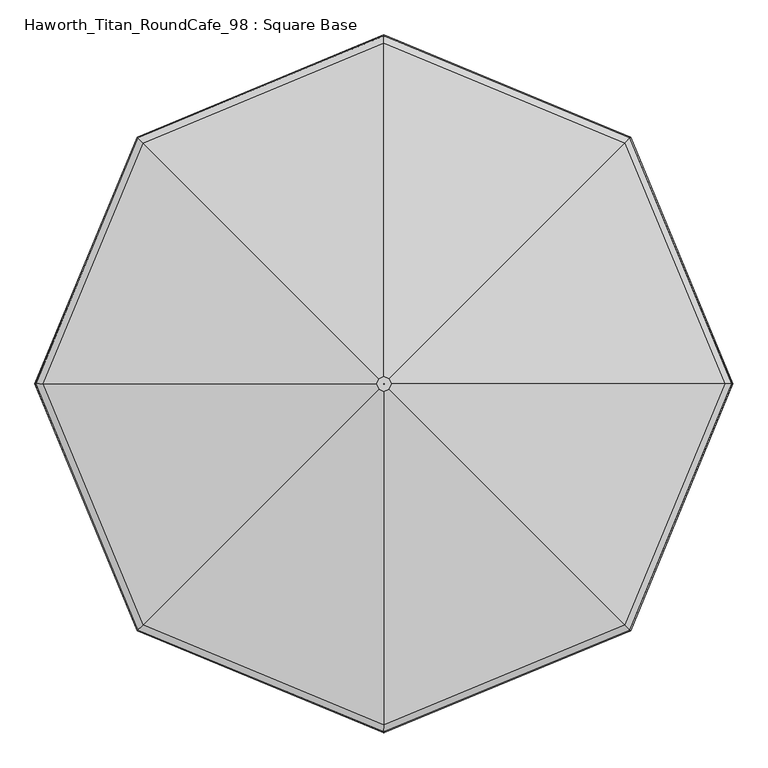
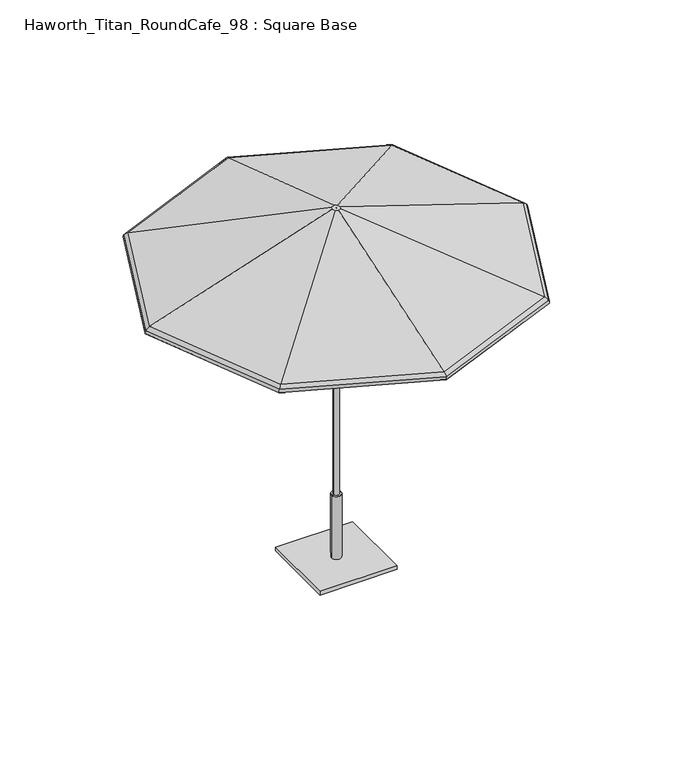
"""IFC4 building model written with IfcOpenShell, lengths in millimetres: furniture geometry, Haworth_Titan_RoundCafe_98 : Square Base."""

from ifc_helpers import new_model, si_unit, frame, origin, origin_with_axes, place, context, project, spatial, polyline, circle_curve, ellipse_curve, outline, extrude, source, transform, mapped, element, save
from ifc_brep_helpers import plane_surface, cylinder_surface, revolved_surface, advanced_brep


def haworth_titan_roundcafe_98_square_base_efce378b(model_context):
    return source(origin(), model_context, "Body", "SolidModel", [
        advanced_brep(
        [(19.5795967, -23.609512, 2449.3082423), (867.9781902, -872.00808, 2054.63825), (1227.5064869, -4.0299408, 2054.63825), (27.6897202, -4.0299408, 2449.3082423), (0.2837179, -4.3136338, 2444.7441798), (0.2837179, -4.3136338, 2449.3082423), (0.4012274, -4.0299408, 2449.3082423), (0.4012274, -4.0299408, 2444.7441798), (866.8065131, -870.8364029, 2050.3385867), (18.976283, -23.0061982, 2444.7441798), (26.8365057, -4.0299408, 2444.7441798), (1225.8494853, -4.0299408, 2050.3385867), (867.9781902, 863.9481984, 2054.63825), (19.5795967, 15.5496304, 2449.3082423), (0.2837179, -3.7462478, 2449.3082423), (0.2837179, -3.7462478, 2444.7441798), (18.976283, 14.9463167, 2444.7441798), (866.8065131, 862.7765214, 2050.3385867), (0.0, 1223.4765468, 2054.63825), (0.0, 23.6597651, 2449.3082423), (0.0, -3.6287279, 2449.3082423), (0.0, -3.6287279, 2444.7441798), (0.0, 22.8065507, 2444.7441798), (0.0, 1221.8195452, 2050.3385867), (-867.9781902, 863.9481984, 2054.63825), (-19.5795967, 15.5496304, 2449.3082423), (-0.2837179, -3.7462478, 2449.3082423), (-0.2837179, -3.7462478, 2444.7441798), (-18.976283, 14.9463167, 2444.7441798), (-866.8065131, 862.7765214, 2050.3385867), (-1227.5064869, -4.0299408, 2054.63825), (-27.6897202, -4.0299408, 2449.3082423), (-0.4012274, -4.0299408, 2449.3082423), (-0.4012274, -4.0299408, 2444.7441798), (-26.8365057, -4.0299408, 2444.7441798), (-1225.8494853, -4.0299408, 2050.3385867), (-867.9781902, -872.00808, 2054.63825), (-19.5795967, -23.609512, 2449.3082423), (-0.2837179, -4.3136338, 2449.3082423), (-0.2837179, -4.3136338, 2444.7441798), (-18.976283, -23.0061982, 2444.7441798), (-866.8065131, -870.8364029, 2050.3385867), (0.0, -1231.5364283, 2054.63825), (0.0, -31.7196467, 2449.3082423), (0.0, -4.4311536, 2449.3082423), (0.0, -4.4311536, 2444.7441798), (0.0, -30.8664322, 2444.7441798), (0.0, -1229.8794267, 2050.3385867), (888.6808391, -892.7107282, 2015.4829783), (885.3255026, -889.3553919, 2016.7551217), (1252.0392907, -4.0299408, 2016.7551217), (1256.784453, -4.0299408, 2015.4829783), (886.7474447, -890.7773339, 2034.8989025), (1254.0502205, -4.0299408, 2034.8989025), (885.3255026, 881.2955103, 2016.7551217), (888.6808391, 884.6508467, 2015.4829783), (886.7474447, 882.7174524, 2034.8989025), (0.0, 1248.0093509, 2016.7551217), (0.0, 1252.7545132, 2015.4829783), (0.0, 1250.0202807, 2034.8989025), (-885.3255026, 881.2955103, 2016.7551217), (-888.6808391, 884.6508467, 2015.4829783), (-886.7474447, 882.7174524, 2034.8989025), (-1252.0392907, -4.0299408, 2016.7551217), (-1256.784453, -4.0299408, 2015.4829783), (-1254.0502205, -4.0299408, 2034.8989025), (-885.3255026, -889.3553919, 2016.7551217), (-888.6808391, -892.7107282, 2015.4829783), (-886.7474447, -890.7773339, 2034.8989025), (0.0, -1256.0692325, 2016.7551217), (0.0, -1260.8143948, 2015.4829783), (0.0, -1258.0801623, 2034.8989025), (883.7829619, -887.8128512, 2032.4847066), (1249.8578088, -4.0299408, 2032.4847066), (883.7829619, 879.7529696, 2032.4847066), (0.0, 1245.827869, 2032.4847066), (-883.7829619, 879.7529696, 2032.4847066), (-1249.8578088, -4.0299408, 2032.4847066), (-883.7829619, -887.8128512, 2032.4847066), (0.0, -1253.8877505, 2032.4847066)],
        [
            (0, 1),
            (1, 2),
            (2, 3),
            (3, 0),
            (4, 5),
            (5, 6),
            (6, 7),
            (7, 4),
            (8, 9),
            (9, 10),
            (10, 11),
            (11, 8),
            (2, 12),
            (12, 13),
            (13, 3),
            (6, 14),
            (14, 15),
            (15, 7),
            (10, 16),
            (16, 17),
            (17, 11),
            (12, 18),
            (18, 19),
            (19, 13),
            (14, 20),
            (20, 21),
            (21, 15),
            (16, 22),
            (22, 23),
            (23, 17),
            (18, 24),
            (24, 25),
            (25, 19),
            (20, 26),
            (26, 27),
            (27, 21),
            (22, 28),
            (28, 29),
            (29, 23),
            (24, 30),
            (30, 31),
            (31, 25),
            (26, 32),
            (32, 33),
            (33, 27),
            (28, 34),
            (34, 35),
            (35, 29),
            (30, 36),
            (36, 37),
            (37, 31),
            (32, 38),
            (38, 39),
            (39, 33),
            (34, 40),
            (40, 41),
            (41, 35),
            (36, 42),
            (42, 43),
            (43, 37),
            (38, 44),
            (44, 45),
            (45, 39),
            (40, 46),
            (46, 47),
            (47, 41),
            (42, 1),
            (0, 43),
            (5, 44),
            (4, 45),
            (9, 46),
            (8, 47),
            (48, 49, ellipse_curve(frame((887.0110539, -891.0409431, 2016.1545442), z_axis=(0.7071067705718669, 0.7071067918012279, 0.0), x_axis=(0.7071067918012278, -0.707106770571867, 0.0)), 2.4707782, 2.2827014)),
            (49, 50),
            (50, 51, ellipse_curve(frame((1254.4230202, -4.0299408, 2016.1545442), z_axis=(0.0, -1.0, 0.0), x_axis=(-1.0, 0.0, 0.0)), 2.4707782, 2.2827014)),
            (51, 48),
            (52, 48, ellipse_curve(frame((871.4269242, -875.4568139, 2022.4222784), z_axis=(0.7071067705718669, 0.7071067918012279, 0.0), x_axis=(0.7071067918012278, -0.707106770571867, 0.0)), 25.5305879, 23.5871876)),
            (51, 53, ellipse_curve(frame((1232.3837333, -4.0299408, 2022.4222784), z_axis=(0.0, -1.0, 0.0), x_axis=(-1.0, 0.0, 0.0)), 25.5305877, 23.5871876)),
            (53, 52),
            (1, 52, ellipse_curve(frame((855.7116602, -859.7415504, 2009.6241856), z_axis=(0.7071067705718669, 0.7071067918012279, 0.0), x_axis=(0.7071067918012278, -0.707106770571867, 0.0)), 51.7189887, 47.782115)),
            (53, 2, ellipse_curve(frame((1210.1589943, -4.0299408, 2009.6241856), z_axis=(0.0, -1.0, 0.0), x_axis=(-1.0, 0.0, 0.0)), 51.7189881, 47.782115)),
            (50, 54),
            (54, 55, ellipse_curve(frame((887.0110539, 882.9810616, 2016.1545442), z_axis=(0.7071067705718669, -0.7071067918012278, 0.0), x_axis=(-0.7071067918012273, -0.7071067705718674, 0.0)), 2.4707782, 2.2827014)),
            (55, 51),
            (55, 56, ellipse_curve(frame((871.4269242, 867.3969324, 2022.4222784), z_axis=(0.7071067705718669, -0.7071067918012278, 0.0), x_axis=(-0.7071067918012273, -0.7071067705718674, 0.0)), 25.5305879, 23.5871876)),
            (56, 53),
            (56, 12, ellipse_curve(frame((855.7116602, 851.6816688, 2009.6241856), z_axis=(0.7071067705718669, -0.7071067918012278, 0.0), x_axis=(-0.7071067918012273, -0.7071067705718674, 0.0)), 51.7189887, 47.782115)),
            (54, 57),
            (57, 58, ellipse_curve(frame((0.0, 1250.3930804, 2016.1545442), z_axis=(1.0, 0.0, 0.0), x_axis=(0.0, -1.0, 0.0)), 2.4707782, 2.2827014)),
            (58, 55),
            (58, 59, ellipse_curve(frame((0.0, 1228.3537932, 2022.4222784), z_axis=(1.0, 0.0, 0.0), x_axis=(0.0, -1.0, 0.0)), 25.530588, 23.5871876)),
            (59, 56),
            (59, 18, ellipse_curve(frame((0.0, 1206.129054, 2009.6241856), z_axis=(1.0, 0.0, 0.0), x_axis=(0.0, -1.0, 0.0)), 51.7189888, 47.782115)),
            (57, 60),
            (60, 61, ellipse_curve(frame((-887.0110539, 882.9810616, 2016.1545442), z_axis=(0.7071067705718668, 0.7071067918012279, 0.0), x_axis=(0.7071067918012285, -0.7071067705718664, 0.0)), 2.4707782, 2.2827014)),
            (61, 58),
            (61, 62, ellipse_curve(frame((-871.4269242, 867.3969324, 2022.4222784), z_axis=(0.7071067705718668, 0.7071067918012279, 0.0), x_axis=(0.7071067918012285, -0.7071067705718664, 0.0)), 25.5305879, 23.5871876)),
            (62, 59),
            (62, 24, ellipse_curve(frame((-855.7116602, 851.6816688, 2009.6241856), z_axis=(0.7071067705718668, 0.7071067918012279, 0.0), x_axis=(0.7071067918012285, -0.7071067705718664, 0.0)), 51.7189887, 47.782115)),
            (60, 63),
            (63, 64, ellipse_curve(frame((-1254.4230202, -4.0299408, 2016.1545442), z_axis=(0.0, 1.0, 0.0), x_axis=(1.0, 0.0, 0.0)), 2.4707782, 2.2827014)),
            (64, 61),
            (64, 65, ellipse_curve(frame((-1232.3837333, -4.0299408, 2022.4222784), z_axis=(0.0, 1.0, 0.0), x_axis=(1.0, 0.0, 0.0)), 25.5305877, 23.5871876)),
            (65, 62),
            (65, 30, ellipse_curve(frame((-1210.1589943, -4.0299408, 2009.6241856), z_axis=(0.0, 1.0, 0.0), x_axis=(1.0, 0.0, 0.0)), 51.7189881, 47.782115)),
            (63, 66),
            (66, 67, ellipse_curve(frame((-887.0110539, -891.0409431, 2016.1545442), z_axis=(-0.707106770571867, 0.7071067918012278, 0.0), x_axis=(0.7071067918012279, 0.7071067705718671, 0.0)), 2.4707782, 2.2827014)),
            (67, 64),
            (67, 68, ellipse_curve(frame((-871.4269242, -875.4568139, 2022.4222784), z_axis=(-0.707106770571867, 0.7071067918012278, 0.0), x_axis=(0.7071067918012279, 0.7071067705718671, 0.0)), 25.5305879, 23.5871876)),
            (68, 65),
            (68, 36, ellipse_curve(frame((-855.7116602, -859.7415504, 2009.6241856), z_axis=(-0.707106770571867, 0.7071067918012278, 0.0), x_axis=(0.7071067918012279, 0.7071067705718671, 0.0)), 51.7189887, 47.782115)),
            (66, 69),
            (69, 70, ellipse_curve(frame((0.0, -1258.452962, 2016.1545442), z_axis=(-1.0, 0.0, 0.0), x_axis=(0.0, 1.0, 0.0)), 2.4707782, 2.2827014)),
            (70, 67),
            (70, 71, ellipse_curve(frame((0.0, -1236.4136748, 2022.4222784), z_axis=(-1.0, 0.0, 0.0), x_axis=(0.0, 1.0, 0.0)), 25.530588, 23.5871876)),
            (71, 68),
            (71, 42, ellipse_curve(frame((0.0, -1214.1889356, 2009.6241856), z_axis=(-1.0, 0.0, 0.0), x_axis=(0.0, 1.0, 0.0)), 51.7189888, 47.782115)),
            (69, 49),
            (48, 70),
            (52, 71),
            (72, 8, ellipse_curve(frame((855.7116602, -859.7415504, 2009.6241856), z_axis=(-0.7071067705718669, -0.7071067918012279, 0.0), x_axis=(-0.7071067918012278, 0.707106770571867, 0.0)), 46.778883, 43.2180525)),
            (11, 73, ellipse_curve(frame((1210.1589943, -4.0299408, 2009.6241856), z_axis=(0.0, 1.0, 0.0), x_axis=(1.0, 0.0, 0.0)), 46.7788825, 43.2180525)),
            (73, 72),
            (49, 72, ellipse_curve(frame((871.4269242, -875.4568139, 2022.4222784), z_axis=(-0.7071067705718669, -0.7071067918012279, 0.0), x_axis=(-0.7071067918012278, 0.707106770571867, 0.0)), 20.5904823, 19.0231251)),
            (73, 50, ellipse_curve(frame((1232.3837333, -4.0299408, 2022.4222784), z_axis=(0.0, 1.0, 0.0), x_axis=(1.0, 0.0, 0.0)), 20.5904821, 19.0231251)),
            (17, 74, ellipse_curve(frame((855.7116602, 851.6816688, 2009.6241856), z_axis=(-0.7071067705718669, 0.7071067918012278, 0.0), x_axis=(0.7071067918012273, 0.7071067705718674, 0.0)), 46.778883, 43.2180525)),
            (74, 73),
            (74, 54, ellipse_curve(frame((871.4269242, 867.3969324, 2022.4222784), z_axis=(-0.7071067705718669, 0.7071067918012278, 0.0), x_axis=(0.7071067918012273, 0.7071067705718674, 0.0)), 20.5904823, 19.0231251)),
            (23, 75, ellipse_curve(frame((0.0, 1206.129054, 2009.6241856), z_axis=(-1.0, 0.0, 0.0), x_axis=(0.0, 1.0, 0.0)), 46.7788831, 43.2180525)),
            (75, 74),
            (75, 57, ellipse_curve(frame((0.0, 1228.3537932, 2022.4222784), z_axis=(-1.0, 0.0, 0.0), x_axis=(0.0, 1.0, 0.0)), 20.5904823, 19.0231251)),
            (29, 76, ellipse_curve(frame((-855.7116602, 851.6816688, 2009.6241856), z_axis=(-0.7071067705718668, -0.7071067918012279, 0.0), x_axis=(-0.7071067918012285, 0.7071067705718664, 0.0)), 46.778883, 43.2180525)),
            (76, 75),
            (76, 60, ellipse_curve(frame((-871.4269242, 867.3969324, 2022.4222784), z_axis=(-0.7071067705718668, -0.7071067918012279, 0.0), x_axis=(-0.7071067918012285, 0.7071067705718664, 0.0)), 20.5904823, 19.0231251)),
            (35, 77, ellipse_curve(frame((-1210.1589943, -4.0299408, 2009.6241856), z_axis=(0.0, -1.0, 0.0), x_axis=(-1.0, 0.0, 0.0)), 46.7788825, 43.2180525)),
            (77, 76),
            (77, 63, ellipse_curve(frame((-1232.3837333, -4.0299408, 2022.4222784), z_axis=(0.0, -1.0, 0.0), x_axis=(-1.0, 0.0, 0.0)), 20.5904821, 19.0231251)),
            (41, 78, ellipse_curve(frame((-855.7116602, -859.7415504, 2009.6241856), z_axis=(0.707106770571867, -0.7071067918012278, 0.0), x_axis=(-0.7071067918012279, -0.7071067705718671, 0.0)), 46.778883, 43.2180525)),
            (78, 77),
            (78, 66, ellipse_curve(frame((-871.4269242, -875.4568139, 2022.4222784), z_axis=(0.707106770571867, -0.7071067918012278, 0.0), x_axis=(-0.7071067918012279, -0.7071067705718671, 0.0)), 20.5904823, 19.0231251)),
            (47, 79, ellipse_curve(frame((0.0, -1214.1889356, 2009.6241856), z_axis=(1.0, 0.0, 0.0), x_axis=(0.0, -1.0, 0.0)), 46.7788831, 43.2180525)),
            (79, 78),
            (79, 69, ellipse_curve(frame((0.0, -1236.4136748, 2022.4222784), z_axis=(1.0, 0.0, 0.0), x_axis=(0.0, -1.0, 0.0)), 20.5904823, 19.0231251)),
            (72, 79),
        ],
        [
            plane_surface(frame((867.9781902, -872.00808, 2054.63825), z_axis=(0.3098860594599675, -0.12835900134285777, 0.9420693164128837), x_axis=(0.3826834138500074, 0.9238795401804848, 0.0))),
            plane_surface(frame((0.2837179, -4.3136338, 2449.3082423), z_axis=(-0.9238795401805519, 0.3826834138498457, 0.0), x_axis=(0.3826834138498457, 0.9238795401805519, 0.0))),
            plane_surface(frame((18.976283, -23.0061982, 2444.7441798), z_axis=(-0.30988605945996583, 0.12835900134286157, -0.9420693164128836), x_axis=(0.3826834138500158, 0.9238795401804812, 0.0))),
            plane_surface(frame((1227.5064869, -4.0299408, 2054.63825), z_axis=(0.3098860594599674, 0.1283590013428578, 0.9420693164128837), x_axis=(-0.38268341385000754, 0.9238795401804847, 0.0))),
            plane_surface(frame((0.4012274, -4.0299408, 2449.3082423), z_axis=(-0.9238795401804236, -0.38268341385015503, 0.0), x_axis=(-0.38268341385015503, 0.9238795401804236, 0.0))),
            plane_surface(frame((26.8365057, -4.0299408, 2444.7441798), z_axis=(-0.3098860594599669, -0.12835900134285932, -0.9420693164128837), x_axis=(-0.38268341385000904, 0.9238795401804841, 0.0))),
            plane_surface(frame((867.9781902, 863.9481984, 2054.63825), z_axis=(0.12835901064652352, 0.30988605560626115, 0.9420693164128842), x_axis=(-0.9238795286912376, 0.3826834415875042, 0.0))),
            plane_surface(frame((0.2837179, -3.7462478, 2449.3082423), z_axis=(-0.3826834415882052, -0.9238795286909472, 0.0), x_axis=(-0.9238795286909472, 0.3826834415882052, 0.0))),
            plane_surface(frame((18.976283, 14.9463167, 2444.7441798), z_axis=(-0.12835901064652197, -0.309886055606262, -0.9420693164128842), x_axis=(-0.9238795286912361, 0.38268344158750756, 0.0))),
            plane_surface(frame((0.0, 1223.4765468, 2054.63825), z_axis=(-0.12835901064652352, 0.3098860556062612, 0.9420693164128842), x_axis=(-0.9238795286912376, -0.3826834415875041, 0.0))),
            plane_surface(frame((0.0, -3.6287279, 2449.3082423), z_axis=(0.3826834415881674, -0.9238795286909629, 0.0), x_axis=(-0.9238795286909629, -0.3826834415881674, 1.7630868610491193e-12))),
            plane_surface(frame((0.0, 22.8065507, 2444.7441798), z_axis=(0.12835901064650254, -0.3098860556062698, -0.9420693164128842), x_axis=(-0.9238795286912317, -0.38268344158751827, 0.0))),
            plane_surface(frame((-867.9781902, 863.9481984, 2054.63825), z_axis=(-0.3098860594599674, 0.1283590013428577, 0.9420693164128838), x_axis=(-0.3826834138500073, -0.9238795401804849, 0.0))),
            plane_surface(frame((-0.2837179, -3.7462478, 2449.3082423), z_axis=(0.9238795401804988, -0.3826834138499735, 0.0), x_axis=(-0.3826834138499735, -0.9238795401804988, 0.0))),
            plane_surface(frame((-18.976283, 14.9463167, 2444.7441798), z_axis=(0.309886059459966, -0.12835900134286143, -0.9420693164128837), x_axis=(-0.38268341385001536, -0.9238795401804816, 0.0))),
            plane_surface(frame((-1227.5064869, -4.0299408, 2054.63825), z_axis=(-0.30988605945996744, -0.12835900134285777, 0.9420693164128836), x_axis=(0.3826834138500075, -0.9238795401804848, 0.0))),
            plane_surface(frame((-0.4012274, -4.0299408, 2449.3082423), z_axis=(0.9238795401804434, 0.3826834138501074, 0.0), x_axis=(0.3826834138501074, -0.9238795401804434, 0.0))),
            plane_surface(frame((-26.8365057, -4.0299408, 2444.7441798), z_axis=(0.30988605945996417, 0.1283590013428655, -0.9420693164128837), x_axis=(0.3826834138500276, -0.9238795401804764, 0.0))),
            plane_surface(frame((-867.9781902, -872.00808, 2054.63825), z_axis=(-0.12835901064652355, -0.30988605560626115, 0.9420693164128843), x_axis=(0.9238795286912376, -0.3826834415875043, 0.0))),
            plane_surface(frame((-0.2837179, -4.3136338, 2449.3082423), z_axis=(0.38268344158750667, 0.9238795286912367, 0.0), x_axis=(0.9238795286912367, -0.38268344158750667, -1.7630868610541979e-12))),
            plane_surface(frame((-18.976283, -23.0061982, 2444.7441798), z_axis=(0.12835901064652216, 0.30988605560626176, -0.9420693164128844), x_axis=(0.9238795286912359, -0.38268344158750833, 0.0))),
            plane_surface(frame((0.0, -1231.5364283, 2054.63825), z_axis=(0.12835901064652355, -0.30988605560626103, 0.9420693164128844), x_axis=(0.9238795286912376, 0.3826834415875044, 0.0))),
            plane_surface(frame((0.0, -31.7196467, 2449.3082423), z_axis=(0.0, 0.0, 1.0000000000000002), x_axis=(0.9238795286912374, 0.38268344158750495, 0.0))),
            plane_surface(frame((0.0, -4.4311536, 2449.3082423), z_axis=(-0.3826834415880379, 0.9238795286910165, 0.0), x_axis=(0.9238795286910165, 0.3826834415880379, 1.7630868610505533e-12))),
            plane_surface(frame((0.0, -4.4311536, 2444.7441798), z_axis=(0.0, 0.0, -1.0), x_axis=(0.9238795286912637, 0.38268344158744133, 0.0))),
            plane_surface(frame((0.0, -30.8664322, 2444.7441798), z_axis=(-0.1283590106464981, 0.3098860556062716, -0.9420693164128844), x_axis=(0.9238795286912372, 0.38268344158750517, 0.0))),
            cylinder_surface(frame((885.6093569, -894.4249392, 2016.1545442), z_axis=(-0.3826834138500074, -0.9238795401804848, 0.0), x_axis=(-0.9238795401804848, 0.3826834138500074, 0.0)), 2.2827014),
            cylinder_surface(frame((866.7976485, -886.6328749, 2022.4222784), z_axis=(-0.3826834138500074, -0.9238795401804848, 0.0), x_axis=(-0.9238795401804848, 0.3826834138500074, 0.0)), 23.5871876),
            cylinder_surface(frame((847.8276469, -878.7752434, 2009.6241856), z_axis=(-0.3826834138500074, -0.9238795401804848, 0.0), x_axis=(-0.9238795401804848, 0.3826834138500074, 0.0)), 47.782115),
            cylinder_surface(frame((1255.8247171, -7.4139366, 2016.1545442), z_axis=(0.38268341385000737, -0.9238795401804849, 0.0), x_axis=(-0.9238795401804849, -0.38268341385000737, 0.0)), 2.2827014),
            cylinder_surface(frame((1237.0130087, -15.2060009, 2022.4222784), z_axis=(0.38268341385000737, -0.9238795401804849, 0.0), x_axis=(-0.9238795401804849, -0.38268341385000737, 0.0)), 23.5871876),
            cylinder_surface(frame((1218.0430071, -23.0636324, 2009.6241856), z_axis=(0.38268341385000737, -0.9238795401804849, 0.0), x_axis=(-0.9238795401804849, -0.38268341385000737, 0.0)), 47.782115),
            cylinder_surface(frame((890.3950499, 881.5793645, 2016.1545442), z_axis=(0.9238795286912376, -0.38268344158750417, 0.0), x_axis=(-0.38268344158750417, -0.9238795286912376, 0.0)), 2.2827014),
            cylinder_surface(frame((882.6029851, 862.7676563, 2022.4222784), z_axis=(0.9238795286912376, -0.38268344158750417, 0.0), x_axis=(-0.38268344158750417, -0.9238795286912376, 0.0)), 23.5871876),
            cylinder_surface(frame((874.745353, 843.7976549, 2009.6241856), z_axis=(0.9238795286912376, -0.38268344158750417, 0.0), x_axis=(-0.38268344158750417, -0.9238795286912376, 0.0)), 47.782115),
            cylinder_surface(frame((3.3839961, 1251.7947775, 2016.1545442), z_axis=(0.9238795286912376, 0.3826834415875045, 0.0), x_axis=(0.3826834415875045, -0.9238795286912376, 0.0)), 2.2827014),
            cylinder_surface(frame((11.176061, 1232.9830694, 2022.4222784), z_axis=(0.9238795286912376, 0.3826834415875045, 0.0), x_axis=(0.3826834415875045, -0.9238795286912376, 0.0)), 23.5871876),
            cylinder_surface(frame((19.033693, 1214.013068, 2009.6241856), z_axis=(0.9238795286912376, 0.3826834415875045, 0.0), x_axis=(0.3826834415875045, -0.9238795286912376, 0.0)), 47.782115),
            cylinder_surface(frame((-885.6093569, 886.3650576, 2016.1545442), z_axis=(0.3826834138500073, 0.9238795401804848, 0.0), x_axis=(0.9238795401804848, -0.3826834138500073, 0.0)), 2.2827014),
            cylinder_surface(frame((-866.7976485, 878.5729933, 2022.4222784), z_axis=(0.3826834138500073, 0.9238795401804848, 0.0), x_axis=(0.9238795401804848, -0.3826834138500073, 0.0)), 23.5871876),
            cylinder_surface(frame((-847.8276469, 870.7153618, 2009.6241856), z_axis=(0.3826834138500073, 0.9238795401804848, 0.0), x_axis=(0.9238795401804848, -0.3826834138500073, 0.0)), 47.782115),
            cylinder_surface(frame((-1255.8247171, -0.6459449, 2016.1545442), z_axis=(-0.3826834138500074, 0.9238795401804848, 0.0), x_axis=(0.9238795401804848, 0.3826834138500074, 0.0)), 2.2827014),
            cylinder_surface(frame((-1237.0130087, 7.1461194, 2022.4222784), z_axis=(-0.3826834138500074, 0.9238795401804848, 0.0), x_axis=(0.9238795401804848, 0.3826834138500074, 0.0)), 23.5871876),
            cylinder_surface(frame((-1218.0430071, 15.0037509, 2009.6241856), z_axis=(-0.3826834138500074, 0.9238795401804848, 0.0), x_axis=(0.9238795401804848, 0.3826834138500074, 0.0)), 47.782115),
            cylinder_surface(frame((-890.3950499, -889.639246, 2016.1545442), z_axis=(-0.9238795286912376, 0.3826834415875041, 0.0), x_axis=(0.3826834415875041, 0.9238795286912376, 0.0)), 2.2827014),
            cylinder_surface(frame((-882.6029851, -870.8275378, 2022.4222784), z_axis=(-0.9238795286912376, 0.3826834415875041, 0.0), x_axis=(0.3826834415875041, 0.9238795286912376, 0.0)), 23.5871876),
            cylinder_surface(frame((-874.745353, -851.8575365, 2009.6241856), z_axis=(-0.9238795286912376, 0.3826834415875041, 0.0), x_axis=(0.3826834415875041, 0.9238795286912376, 0.0)), 47.782115),
            cylinder_surface(frame((-3.3839961, -1259.8546591, 2016.1545442), z_axis=(-0.9238795286912376, -0.3826834415875045, 0.0), x_axis=(-0.3826834415875045, 0.9238795286912376, 0.0)), 2.2827014),
            cylinder_surface(frame((-11.176061, -1241.0429509, 2022.4222784), z_axis=(-0.9238795286912376, -0.3826834415875045, 0.0), x_axis=(-0.3826834415875045, 0.9238795286912376, 0.0)), 23.5871876),
            cylinder_surface(frame((-19.033693, -1222.0729496, 2009.6241856), z_axis=(-0.9238795286912376, -0.3826834415875045, 0.0), x_axis=(-0.3826834415875045, 0.9238795286912376, 0.0)), 47.782115),
            revolved_surface(polyline([(1177.0813279177353, 29.04772291639233, 2009.6241856), (808.9327772004092, -859.7415515729037, 2009.6241856)]), (847.8276469, -878.7752434, 2009.6241856), (0.3826834138500074, 0.9238795401804848, 0.0)),
            revolved_surface(polyline([(1217.8240632036184, 10.529728133929439, 2022.4222784), (850.8364419865392, -875.4568144520437, 2022.4222784)]), (866.7976485, -886.6328749, 2022.4222784), (0.3826834138500074, 0.9238795401804848, 0.0)),
            revolved_surface(polyline([(808.9327772202232, 851.6816699811113, 2009.6241856), (1177.0813279375493, -37.10760450818483, 2009.6241856)]), (1218.0430071, -23.0636324, 2009.6241856), (-0.38268341385000737, 0.9238795401804849, 0.0)),
            revolved_surface(polyline([(850.8364419709978, 867.3969329456064, 2022.4222784), (1217.8240632234324, -18.589609725721992, 2022.4222784)]), (1237.0130087, -15.2060009, 2022.4222784), (-0.38268341385000737, 0.9238795401804849, 0.0)),
            revolved_surface(polyline([(-33.07766613995125, 1173.05138914796, 2009.6241856), (855.7116599637476, 804.9027857890122, 2009.6241856)]), (874.745353, 843.7976549, 2009.6241856), (-0.9238795286912376, 0.38268344158750417, 0.0)),
            revolved_surface(polyline([(-14.55966994483424, 1213.794123847939, 2022.4222784), (871.4269241167767, 846.8064501452996, 2022.4222784)]), (882.6029851, 862.7676563, 2022.4222784), (-0.9238795286912376, 0.38268344158750417, 0.0)),
            revolved_surface(polyline([(-855.7116599740738, 804.9027858139414, 2009.6241856), (33.07766612962508, 1173.0513891728895, 2009.6241856)]), (19.033693, 1214.013068, 2009.6241856), (-0.9238795286912376, -0.3826834415875045, 0.0)),
            revolved_surface(polyline([(-871.4269241124583, 846.8064501348736, 2022.4222784), (14.559669949152642, 1213.7941238375133, 2022.4222784)]), (11.176061, 1232.9830694, 2022.4222784), (-0.9238795286912376, -0.3826834415875045, 0.0)),
            revolved_surface(polyline([(-1177.081327917735, -37.10760451639214, 2009.6241856), (-808.9327772004092, 851.6816699729037, 2009.6241856)]), (-847.8276469, 870.7153618, 2009.6241856), (-0.3826834138500073, -0.9238795401804848, 0.0)),
            revolved_surface(polyline([(-1217.8240632036182, -18.58960973392925, 2022.4222784), (-850.8364419511838, 867.3969329373989, 2022.4222784)]), (-866.7976485, 878.5729933, 2022.4222784), (-0.3826834138500073, -0.9238795401804848, 0.0)),
            revolved_surface(polyline([(-808.932777184868, -859.7415515664663, 2009.6241856), (-1177.0813279021938, 29.047722922829497, 2009.6241856)]), (-1218.0430071, 15.0037509, 2009.6241856), (0.3826834138500074, -0.9238795401804848, 0.0)),
            revolved_surface(polyline([(-850.8364419709978, -875.4568144456061, 2022.4222784), (-1217.8240631880772, 10.529728140366657, 2022.4222784)]), (-1237.0130087, 7.1461194, 2022.4222784), (0.3826834138500074, -0.9238795401804848, 0.0)),
            revolved_surface(polyline([(33.07766613995125, -1181.11127074796, 2009.6241856), (-855.7116599637476, -812.9626673890123, 2009.6241856)]), (-874.745353, -851.8575365, 2009.6241856), (0.9238795286912376, -0.3826834415875041, 0.0)),
            revolved_surface(polyline([(14.559669980189597, -1221.8540053625836, 2022.4222784), (-871.4269241167767, -854.8663316452995, 2022.4222784)]), (-882.6029851, -870.8275378, 2022.4222784), (0.9238795286912376, -0.3826834415875041, 0.0)),
            revolved_surface(polyline([(855.7116599740737, -812.9626674139414, 2009.6241856), (-33.07766612962508, -1181.1112707728894, 2009.6241856)]), (-19.033693, -1222.0729496, 2009.6241856), (0.9238795286912376, 0.3826834415875045, 0.0)),
            revolved_surface(polyline([(871.4269241124583, -854.8663316348736, 2022.4222784), (-14.559669984508012, -1221.854005352158, 2022.4222784)]), (-11.176061, -1241.0429509, 2022.4222784), (0.9238795286912376, 0.3826834415875045, 0.0)),
        ],
        [
            (0, [[1, 2, 3, 4]]),
            (1, [[5, 6, 7, 8]]),
            (2, [[9, 10, 11, 12]]),
            (3, [[-3, 13, 14, 15]]),
            (4, [[-7, 16, 17, 18]]),
            (5, [[-11, 19, 20, 21]]),
            (6, [[-14, 22, 23, 24]]),
            (7, [[-17, 25, 26, 27]]),
            (8, [[-20, 28, 29, 30]]),
            (9, [[-23, 31, 32, 33]]),
            (10, [[-26, 34, 35, 36]]),
            (11, [[-29, 37, 38, 39]]),
            (12, [[-32, 40, 41, 42]]),
            (13, [[-35, 43, 44, 45]]),
            (14, [[-38, 46, 47, 48]]),
            (15, [[-41, 49, 50, 51]]),
            (16, [[-44, 52, 53, 54]]),
            (17, [[-47, 55, 56, 57]]),
            (18, [[-50, 58, 59, 60]]),
            (19, [[-53, 61, 62, 63]]),
            (20, [[-56, 64, 65, 66]]),
            (21, [[-59, 67, -1, 68]]),
            (22, [[-51, -60, -68, -4, -15, -24, -33, -42], [69, -61, -52, -43, -34, -25, -16, -6]]),
            (23, [[-62, -69, -5, 70]]),
            (24, [[71, -64, -55, -46, -37, -28, -19, -10], [-54, -63, -70, -8, -18, -27, -36, -45]]),
            (25, [[-65, -71, -9, 72]]),
            (26, [[73, 74, 75, 76]]),
            (27, [[77, -76, 78, 79]]),
            (28, [[80, -79, 81, -2]]),
            (29, [[-75, 82, 83, 84]]),
            (30, [[-78, -84, 85, 86]]),
            (31, [[-81, -86, 87, -13]]),
            (32, [[-83, 88, 89, 90]]),
            (33, [[-85, -90, 91, 92]]),
            (34, [[-87, -92, 93, -22]]),
            (35, [[-89, 94, 95, 96]]),
            (36, [[-91, -96, 97, 98]]),
            (37, [[-93, -98, 99, -31]]),
            (38, [[-95, 100, 101, 102]]),
            (39, [[-97, -102, 103, 104]]),
            (40, [[-99, -104, 105, -40]]),
            (41, [[-101, 106, 107, 108]]),
            (42, [[-103, -108, 109, 110]]),
            (43, [[-105, -110, 111, -49]]),
            (44, [[-107, 112, 113, 114]]),
            (45, [[-109, -114, 115, 116]]),
            (46, [[-111, -116, 117, -58]]),
            (47, [[-113, 118, -73, 119]]),
            (48, [[-115, -119, -77, 120]]),
            (49, [[-117, -120, -80, -67]]),
            (50, [[121, -12, 122, 123]]),
            (51, [[124, -123, 125, -74]]),
            (52, [[-122, -21, 126, 127]]),
            (53, [[-125, -127, 128, -82]]),
            (54, [[-126, -30, 129, 130]]),
            (55, [[-128, -130, 131, -88]]),
            (56, [[-129, -39, 132, 133]]),
            (57, [[-131, -133, 134, -94]]),
            (58, [[-132, -48, 135, 136]]),
            (59, [[-134, -136, 137, -100]]),
            (60, [[-135, -57, 138, 139]]),
            (61, [[-137, -139, 140, -106]]),
            (62, [[-138, -66, 141, 142]]),
            (63, [[-140, -142, 143, -112]]),
            (64, [[-141, -72, -121, 144]]),
            (65, [[-143, -144, -124, -118]]),
        ],
    ),
        advanced_brep(
        [(-19.05, -4.0299408, 463.5500121), (19.05, -4.0299408, 463.5500121), (31.7499992, -4.0299408, 463.5500121), (-31.7499992, -4.0299408, 463.5500121), (-19.05, -4.0299408, 1873.1507813), (19.05, -4.0299408, 1873.1507813), (0.0, -4.0299408, 1873.1507813), (-31.7499992, -4.0299408, 25.4), (31.7499992, -4.0299408, 25.4), (0.0, -4.0299408, 25.4)],
        [
            (0, 1, circle_curve(frame((0.0, -4.0299408, 463.5500121), z_axis=(0.0, 0.0, -1.0), x_axis=(1.0, 0.0, 0.0)), 19.05)),
            (1, 2),
            (2, 3, circle_curve(frame((0.0, -4.0299408, 463.5500121), z_axis=(0.0, 0.0, 1.0), x_axis=(1.0, 0.0, 0.0)), 31.7499992)),
            (3, 0),
            (1, 0, circle_curve(frame((0.0, -4.0299408, 463.5500121), z_axis=(0.0, 0.0, -1.0), x_axis=(1.0, 0.0, 0.0)), 19.05)),
            (3, 2, circle_curve(frame((0.0, -4.0299408, 463.5500121), z_axis=(0.0, 0.0, 1.0), x_axis=(1.0, 0.0, 0.0)), 31.7499992)),
            (4, 5, circle_curve(frame((0.0, -4.0299408, 1873.1507813), z_axis=(0.0, 0.0, -1.0), x_axis=(1.0, 0.0, 0.0)), 19.05)),
            (5, 1),
            (0, 4),
            (5, 4, circle_curve(frame((0.0, -4.0299408, 1873.1507813), z_axis=(0.0, 0.0, -1.0), x_axis=(1.0, 0.0, 0.0)), 19.05)),
            (6, 5),
            (4, 6),
            (7, 8, circle_curve(frame((0.0, -4.0299408, 25.4), z_axis=(0.0, 0.0, -1.0), x_axis=(1.0, 0.0, 0.0)), 31.7499992)),
            (8, 9),
            (9, 7),
            (8, 7, circle_curve(frame((0.0, -4.0299408, 25.4), z_axis=(0.0, 0.0, -1.0), x_axis=(1.0, 0.0, 0.0)), 31.7499992)),
            (2, 8),
            (7, 3),
        ],
        [
            plane_surface(frame((0.0, -4.0299408, 463.5500121), z_axis=(0.0, 0.0, 1.0), x_axis=(1.0, 0.0, 0.0))),
            cylinder_surface(frame((0.0, -4.0299408, 2736.7507813), z_axis=(0.0, 0.0, 1.0), x_axis=(1.0, 0.0, 0.0)), 19.05),
            plane_surface(frame((0.0, -4.0299408, 1873.1507813), z_axis=(0.0, 0.0, 1.0), x_axis=(1.0, 0.0, 0.0))),
            plane_surface(frame((0.0, -4.0299408, 25.4), z_axis=(0.0, 0.0, -1.0), x_axis=(1.0, 0.0, 0.0))),
            cylinder_surface(frame((0.0, -4.0299408, 2736.7507813), z_axis=(0.0, 0.0, 1.0), x_axis=(1.0, 0.0, 0.0)), 31.7499992),
        ],
        [
            (0, [[1, 2, 3, 4]]),
            (0, [[5, -4, 6, -2]]),
            (1, [[7, 8, -1, 9]]),
            (1, [[10, -9, -5, -8]]),
            (2, [[11, -7, 12]]),
            (2, [[-12, -10, -11]]),
            (3, [[13, 14, 15]]),
            (3, [[16, -15, -14]]),
            (4, [[-3, 17, -13, 18]]),
            (4, [[-6, -18, -16, -17]]),
        ],
    ),
        extrude(outline(polyline([(254.0, 249.9700592), (254.0, -258.0299408), (-254.0, -258.0299408), (-254.0, 249.9700592), (254.0, 249.9700592)])), origin_with_axes(), (0.0, 0.0, 1.0), 25.4),
    ])


if __name__ == "__main__":
    model = new_model("IFC4")
    model_context = context("Model", 3, world=origin())
    ifc_project = project(units=[si_unit("LENGTHUNIT", "METRE", prefix="MILLI")], contexts=[model_context])
    site = spatial("IfcSite", under=ifc_project)
    building = spatial("IfcBuilding", under=site)
    placement = place(None, origin())
    haworth_titan_roundcafe_98_square_base_shape = haworth_titan_roundcafe_98_square_base_efce378b(model_context)
    element("IfcFurniture", 1, ObjectType="Haworth_Titan_RoundCafe_98 : Square Base", at=placement, inside=building, context=model_context, shape_type="MappedRepresentation", body=[
        mapped(haworth_titan_roundcafe_98_square_base_shape, transform((0.0, 0.0, 0.0), x_axis=(1.0, 0.0, 0.0), y_axis=(0.0, 1.0, 0.0), z_axis=(0.0, 0.0, 1.0))),
    ])
    save(model, "model.ifc")
